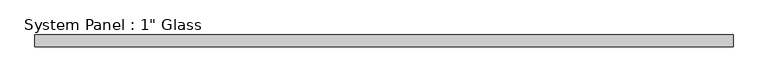
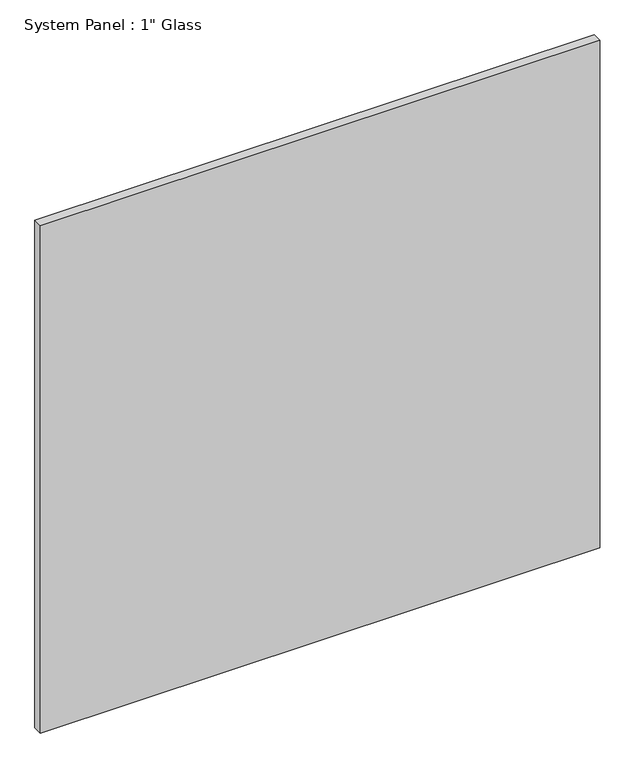
"""IFC4 building model written with IfcOpenShell, lengths in millimetres: plate geometry."""

from ifc_helpers import new_model, si_unit, origin, origin_with_axes, place, context, project, spatial, polyline, outline, extrude, source, transform, mapped, element, save


def plate_75aa42f4(model_context):
    return source(origin(), model_context, "Body", "SweptSolid", [
        extrude(outline(polyline([(746.1258852, -12.7), (-746.1258852, -12.7), (-746.1258852, 12.7), (746.1258852, 12.7), (746.1258852, -12.7)])), origin_with_axes(), (0.0, 0.0, 1.0), 1431.2917704),
    ])


if __name__ == "__main__":
    model = new_model("IFC4")
    model_context = context("Model", 3, world=origin())
    ifc_project = project(units=[si_unit("LENGTHUNIT", "METRE", prefix="MILLI")], contexts=[model_context])
    site = spatial("IfcSite", under=ifc_project)
    building = spatial("IfcBuilding", under=site)
    placement = place(None, origin())
    plate_shape = plate_75aa42f4(model_context)
    element("IfcPlate", 1, ObjectType="System Panel : 1\" Glass", at=placement, inside=building, context=model_context, shape_type="MappedRepresentation", body=[
        mapped(plate_shape, transform((0.0, 0.0, 0.0), x_axis=(1.0, 0.0, 0.0), y_axis=(0.0, 1.0, 0.0), z_axis=(0.0, 0.0, 1.0))),
    ])
    save(model, "model.ifc")
